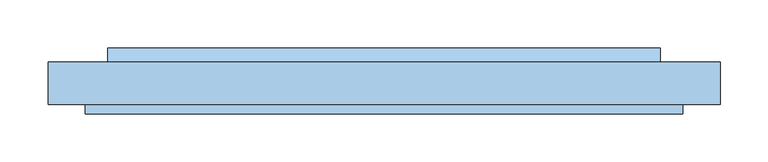
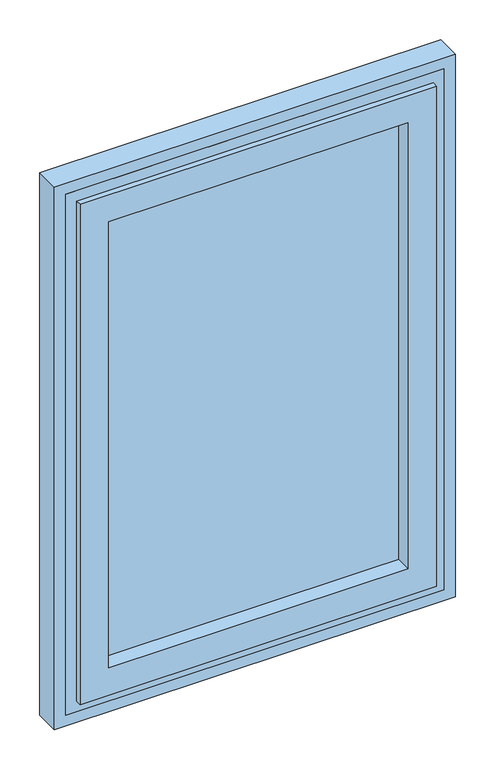
"""IFC4 building model written with IfcOpenShell, lengths in millimetres: window geometry."""

from ifc_helpers import new_model, si_unit, frame, origin, place, context, project, spatial, polyline, outline, extrude, faceted_brep, source, transform, mapped, element, save


def window_7e11178d(model_context):
    return source(origin(), model_context, "Body", "SolidModel", [
        faceted_brep([(-311.0, 46.0, 939.0), (-311.0, 56.0, 939.0), (311.0, 56.0, 939.0), (311.0, 46.0, 939.0), (-261.0, 100.0, 989.0), (-261.0, 46.0, 989.0), (261.0, 46.0, 989.0), (261.0, 100.0, 989.0), (311.0, 56.0, 1861.0), (311.0, 46.0, 1861.0), (261.0, 46.0, 1811.0), (261.0, 100.0, 1811.0), (-311.0, 56.0, 1861.0), (-311.0, 46.0, 1861.0), (-261.0, 46.0, 1811.0), (-261.0, 100.0, 1811.0), (-286.0, 90.0, 964.0), (-286.0, 90.0, 1836.0), (286.0, 90.0, 1836.0), (286.0, 90.0, 964.0), (280.0, 90.0, 970.0), (280.0, 90.0, 1830.0), (-280.0, 90.0, 1830.0), (-280.0, 90.0, 970.0), (-286.0, 56.0, 964.0), (286.0, 56.0, 964.0), (286.0, 56.0, 1836.0), (-286.0, 56.0, 1836.0), (-280.0, 100.0, 970.0), (280.0, 100.0, 970.0), (280.0, 100.0, 1830.0), (-280.0, 100.0, 1830.0)], [[[0, 1, 2, 3]], [[4, 5, 6, 7]], [[3, 2, 8, 9]], [[7, 6, 10, 11]], [[9, 8, 12, 13]], [[11, 10, 14, 15]], [[13, 12, 1, 0]], [[16, 17, 18, 19], [20, 21, 22, 23]], [[15, 14, 5, 4]], [[3, 9, 13, 0], [5, 14, 10, 6]], [[24, 16, 19, 25]], [[25, 19, 18, 26]], [[26, 18, 17, 27]], [[1, 12, 8, 2], [25, 26, 27, 24]], [[27, 17, 16, 24]], [[23, 28, 29, 20]], [[20, 29, 30, 21]], [[21, 30, 31, 22]], [[28, 31, 30, 29], [7, 11, 15, 4]], [[22, 31, 28, 23]]]),
        extrude(outline(polyline([(261.0, 74.0), (-261.0, 74.0), (-261.0, 90.0), (261.0, 90.0), (261.0, 74.0)])), frame((0.0, 0.0, 989.0), z_axis=(0.0, 0.0, 1.0), x_axis=(1.0, 0.0, 0.0)), (0.0, 0.0, 1.0), 822.0),
        extrude(outline(polyline([(115.0, 970.0), (100.0, 970.0), (100.0, 982.5), (115.0, 975.0), (115.0, 970.0)])), frame((-288.0, 0.0, 0.0), z_axis=(1.0, 0.0, 0.0), x_axis=(0.0, 1.0, 0.0)), (0.0, 0.0, 1.0), 576.0),
        extrude(outline(polyline([(1880.0, -330.0), (920.0, -330.0), (920.0, 330.0), (1880.0, 330.0), (1880.0, -330.0)]), holes=[polyline([(1836.0, 286.0), (964.0, 286.0), (964.0, -286.0), (1836.0, -286.0), (1836.0, 286.0)])]), frame((0.0, 56.0, 0.0), z_axis=(0.0, 1.0, 0.0), x_axis=(0.0, 0.0, 1.0)), (0.0, 0.0, 1.0), 44.0),
        extrude(outline(polyline([(1900.0, 350.0), (1900.0, -350.0), (900.0, -350.0), (900.0, 350.0), (1900.0, 350.0)]), holes=[polyline([(920.0, -330.0), (1880.0, -330.0), (1880.0, 330.0), (920.0, 330.0), (920.0, -330.0)])]), frame((0.0, 56.0, 0.0), z_axis=(0.0, 1.0, 0.0), x_axis=(0.0, 0.0, 1.0)), (0.0, 0.0, 1.0), 44.0),
    ])


if __name__ == "__main__":
    model = new_model("IFC4")
    model_context = context("Model", 3, world=origin())
    ifc_project = project(units=[si_unit("LENGTHUNIT", "METRE", prefix="MILLI")], contexts=[model_context])
    site = spatial("IfcSite", under=ifc_project)
    building = spatial("IfcBuilding", under=site)
    placement = place(None, origin())
    window_shape = window_7e11178d(model_context)
    element("IfcWindow", 1, at=placement, inside=building, context=model_context, shape_type="MappedRepresentation", body=[
        mapped(window_shape, transform((0.0, 0.0, 0.0), x_axis=(1.0, 0.0, 0.0), y_axis=(0.0, 1.0, 0.0), z_axis=(0.0, 0.0, 1.0))),
    ])
    save(model, "model.ifc")
